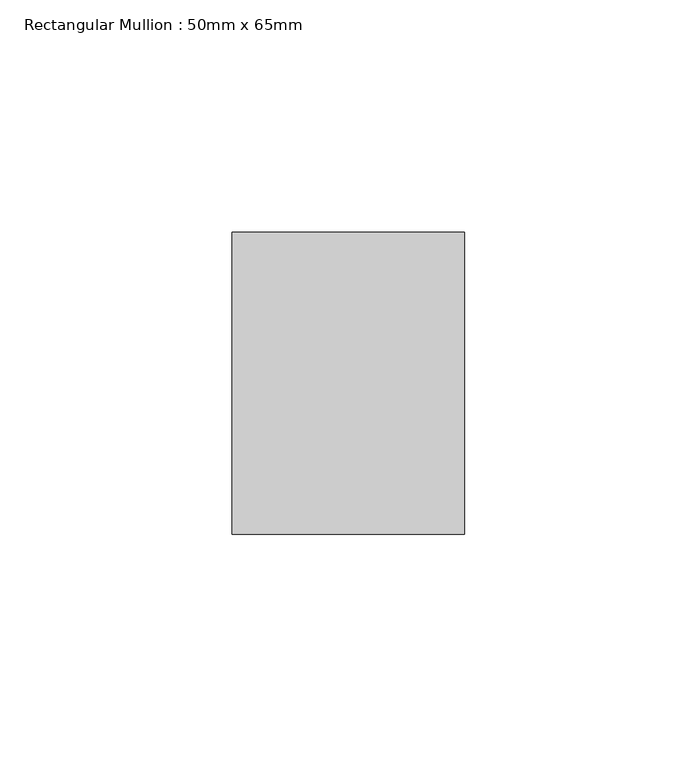
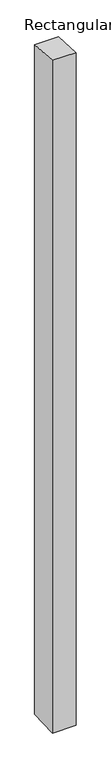
"""IFC4 building model written with IfcOpenShell, lengths in millimetres: member geometry, Rectangular Mullion : 50mm x 65mm."""

from ifc_helpers import new_model, si_unit, origin, place, context, project, spatial, faceted_brep, source, transform, mapped, element, save


def rectangular_mullion_50mm_x_65mm_f73dbd7c(model_context):
    return source(origin(), model_context, "Body", "Brep", [
        faceted_brep([(-25.0, 32.5, -2.1659771), (25.0, 32.5, -2.1659786), (25.0, 32.5, -1498.7588455), (-25.0, 32.5, -1498.7588464), (-25.0, -32.5, 2.1659786), (-25.0, -32.5, -1501.241029), (25.0, -32.5, 2.1659771), (25.0, -32.5, -1501.2410282)], [[[0, 1, 2, 3]], [[4, 0, 3, 5]], [[6, 4, 5, 7]], [[1, 6, 7, 2]], [[1, 0, 4, 6]], [[2, 7, 5, 3]]]),
    ])


if __name__ == "__main__":
    model = new_model("IFC4")
    model_context = context("Model", 3, world=origin())
    ifc_project = project(units=[si_unit("LENGTHUNIT", "METRE", prefix="MILLI")], contexts=[model_context])
    site = spatial("IfcSite", under=ifc_project)
    building = spatial("IfcBuilding", under=site)
    placement = place(None, origin())
    rectangular_mullion_50mm_x_65mm_shape = rectangular_mullion_50mm_x_65mm_f73dbd7c(model_context)
    element("IfcMember", 1, ObjectType="Rectangular Mullion : 50mm x 65mm", at=placement, inside=building, context=model_context, shape_type="MappedRepresentation", body=[
        mapped(rectangular_mullion_50mm_x_65mm_shape, transform((0.0, 0.0, 0.0), x_axis=(1.0, 0.0, 0.0), y_axis=(0.0, 1.0, 0.0), z_axis=(0.0, 0.0, 1.0))),
    ])
    save(model, "model.ifc")
